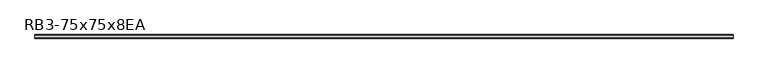
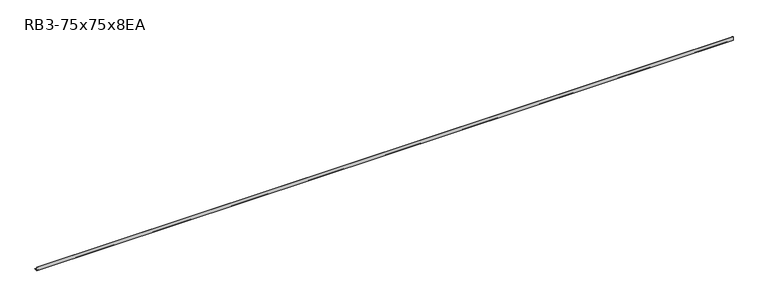
"""IFC4 building model written with IfcOpenShell, lengths in millimetres: member geometry, RB3-75x75x8EA."""

from ifc_helpers import new_model, si_unit, point, frame, frame_2d, origin, place, context, project, spatial, polyline, circle_curve, trimmed, segment, composite_curve, outline, extrude, source, transform, mapped, element, save


def rb3_75x75x8ea_31f95eb2(model_context):
    return source(origin(), model_context, "Body", "SweptSolid", [
        extrude(outline(composite_curve([segment(polyline([(-21.3, -21.3), (-21.3, 53.7), (-18.3, 53.7)]), True, "CONTINUOUS"), segment(trimmed(circle_curve(frame_2d((-18.3, 48.7)), 5.0), [point((-18.3, 53.7))], [point((-13.3, 48.7))], False, "CARTESIAN"), True, "CONTINUOUS"), segment(polyline([(-13.3, 48.7), (-13.3, -5.3)]), True, "CONTINUOUS"), segment(trimmed(circle_curve(frame_2d((-5.3, -5.3)), 8.0), [point((-13.3, -5.3))], [point((-5.3, -13.3))], True, "CARTESIAN"), True, "CONTINUOUS"), segment(polyline([(-5.3, -13.3), (48.7, -13.3)]), True, "CONTINUOUS"), segment(trimmed(circle_curve(frame_2d((48.7, -18.3)), 5.0), [point((48.7, -13.3))], [point((53.7, -18.3))], False, "CARTESIAN"), True, "CONTINUOUS"), segment(polyline([(53.7, -18.3), (53.7, -21.3), (-21.3, -21.3)]), True, "CONTINUOUS")], self_intersect=False)), frame((-7183.1007121, 0.0, 0.0), z_axis=(1.0, 0.0, 0.0), x_axis=(0.0, 1.0, 0.0)), (0.0, 0.0, 1.0), 14564.1007121),
    ])


if __name__ == "__main__":
    model = new_model("IFC4")
    model_context = context("Model", 3, world=origin())
    ifc_project = project(units=[si_unit("LENGTHUNIT", "METRE", prefix="MILLI")], contexts=[model_context])
    site = spatial("IfcSite", under=ifc_project)
    building = spatial("IfcBuilding", under=site)
    placement = place(None, origin())
    rb3_75x75x8ea_shape = rb3_75x75x8ea_31f95eb2(model_context)
    element("IfcMember", 1, ObjectType="RB3-75x75x8EA", at=placement, inside=building, context=model_context, shape_type="MappedRepresentation", body=[
        mapped(rb3_75x75x8ea_shape, transform((0.0, 0.0, 0.0), x_axis=(1.0, 0.0, 0.0), y_axis=(0.0, 1.0, 0.0), z_axis=(0.0, 0.0, 1.0))),
    ])
    save(model, "model.ifc")
